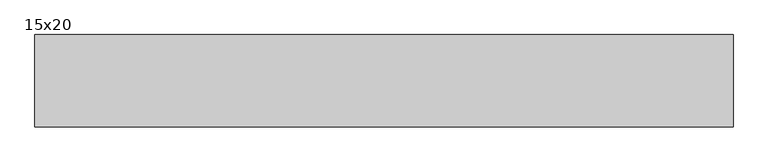
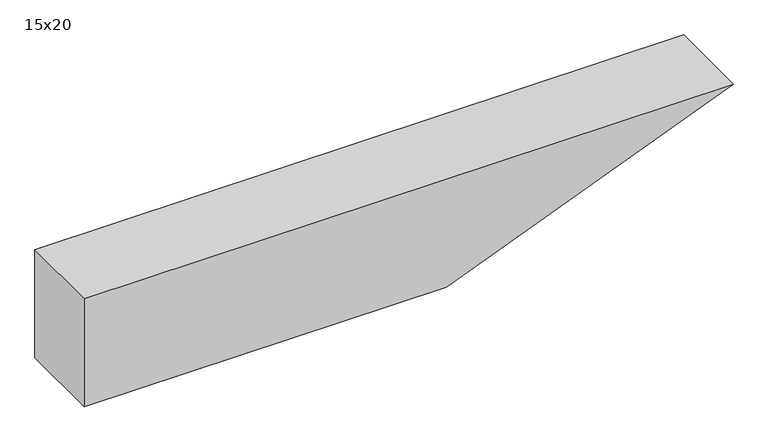
"""IFC4 building model written with IfcOpenShell, lengths in millimetres: beam geometry, 15x20."""

from ifc_helpers import new_model, si_unit, frame, origin, place, context, project, spatial, polyline, outline, extrude, source, transform, mapped, element, save


def beam_15x20_bed27182(model_context):
    return source(origin(), model_context, "Body", "SweptSolid", [
        extrude(outline(polyline([(100.0, -593.0), (-100.0, -593.0), (-100.0, 40.8), (100.0, 543.0), (100.0, -593.0)])), frame((0.0, -75.0, 0.0), z_axis=(0.0, 1.0, 0.0), x_axis=(0.0, 0.0, 1.0)), (0.0, 0.0, 1.0), 150.0),
    ])


if __name__ == "__main__":
    model = new_model("IFC4")
    model_context = context("Model", 3, world=origin())
    ifc_project = project(units=[si_unit("LENGTHUNIT", "METRE", prefix="MILLI")], contexts=[model_context])
    site = spatial("IfcSite", under=ifc_project)
    building = spatial("IfcBuilding", under=site)
    placement = place(None, origin())
    beam_15x20_shape = beam_15x20_bed27182(model_context)
    element("IfcBeam", 1, ObjectType="15x20", at=placement, inside=building, context=model_context, shape_type="MappedRepresentation", body=[
        mapped(beam_15x20_shape, transform((0.0, 0.0, 0.0), x_axis=(1.0, 0.0, 0.0), y_axis=(0.0, 1.0, 0.0), z_axis=(0.0, 0.0, 1.0))),
    ])
    save(model, "model.ifc")
